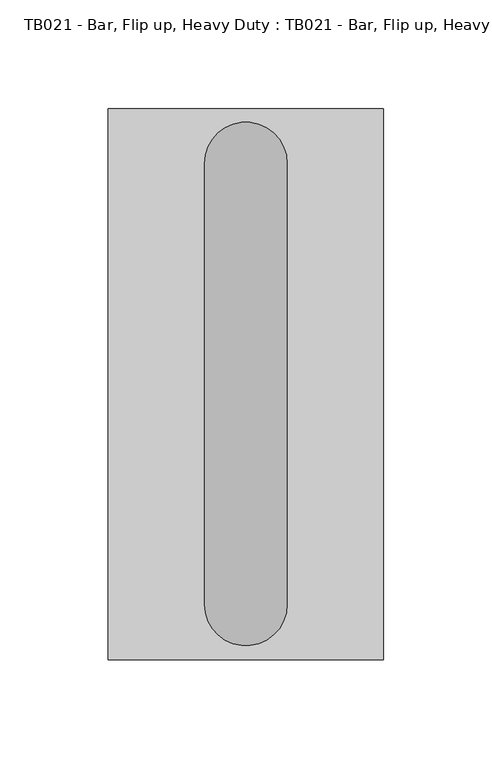
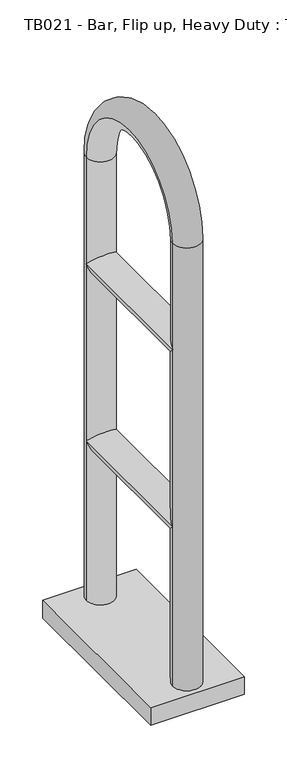
"""IFC4 building model written with IfcOpenShell, lengths in millimetres: proxy geometry, TB021 - Bar, Flip up, Heavy Duty : TB021 - Bar, Flip up, Heavy Duty."""

from ifc_helpers import new_model, si_unit, point, frame, origin, origin_with_axes, place, context, project, spatial, polyline, circle_curve, ellipse_curve, trimmed, outline, extrude, source, transform, mapped, element, save
from ifc_brep_helpers import plane_surface, cylinder_surface, revolved_surface, advanced_brep


def tb021_bar_flip_up_heavy_duty_tb021_bar_flip_up_heavy_duty_60cc0946(model_context):
    return source(origin(), model_context, "Body", "SolidModel", [
        advanced_brep(
        [(19.05, -101.6, 508.0), (19.05, 101.6, 508.0), (-19.05, 101.6, 508.0), (-19.05, -101.6, 508.0), (-19.05, 101.6, 25.4), (19.05, 101.6, 25.4), (-19.05, 101.6, 254.0), (-19.05, 101.6, 660.4), (19.05, 101.6, 660.4), (19.05, 101.6, 254.0), (-19.05, -101.6, 660.4), (19.05, -101.6, 660.4), (-19.05, -101.6, 25.4), (19.05, -101.6, 25.4), (-19.05, -101.6, 254.0), (19.05, -101.6, 254.0)],
        [
            (0, 1),
            (1, 2, ellipse_curve(frame((0.0, 101.6, 508.0), z_axis=(0.0, -0.7071067811865432, -0.7071067811865519), x_axis=(0.0, -0.7071067811865518, 0.7071067811865434)), 26.9407684, 19.05)),
            (2, 3),
            (3, 0, ellipse_curve(frame((0.0, -101.6, 508.0), z_axis=(0.0, 0.7071067811865518, -0.7071067811865432), x_axis=(0.0, -0.7071067811865432, -0.7071067811865518)), 26.9407684, 19.05)),
            (0, 3, ellipse_curve(frame((0.0, -101.6, 508.0), z_axis=(0.0, 0.7071067811865432, 0.7071067811865519), x_axis=(0.0, -0.7071067811865518, 0.7071067811865434)), 26.9407684, 19.05)),
            (2, 1, ellipse_curve(frame((0.0, 101.6, 508.0), z_axis=(0.0, -0.7071067811865518, 0.7071067811865432), x_axis=(0.0, -0.7071067811865432, -0.7071067811865518)), 26.9407684, 19.05)),
            (4, 5, circle_curve(frame((0.0, 101.6, 25.4), z_axis=(0.0, 0.0, -1.0), x_axis=(1.0, 0.0, 0.0)), 19.05)),
            (5, 4, circle_curve(frame((0.0, 101.6, 25.4), z_axis=(0.0, 0.0, -1.0), x_axis=(1.0, 0.0, 0.0)), 19.05)),
            (4, 6),
            (6, 2),
            (2, 7),
            (7, 8, circle_curve(frame((0.0, 101.6, 660.4), z_axis=(0.0, 0.0, -1.0), x_axis=(1.0, 0.0, 0.0)), 19.05)),
            (8, 1),
            (1, 9),
            (9, 5),
            (6, 9, ellipse_curve(frame((0.0, 101.6, 254.0), z_axis=(0.0, 0.7071067811865432, 0.7071067811865519), x_axis=(0.0, 0.707106781186552, -0.7071067811865431)), 26.9407684, 19.05)),
            (9, 6, ellipse_curve(frame((0.0, 101.6, 254.0), z_axis=(0.0, 0.7071067811865518, -0.7071067811865432), x_axis=(0.0, -0.7071067811865432, -0.7071067811865518)), 26.9407684, 19.05)),
            (8, 7, circle_curve(frame((0.0, 101.6, 660.4), z_axis=(0.0, 0.0, -1.0), x_axis=(1.0, 0.0, 0.0)), 19.05)),
            (7, 10, circle_curve(frame((-19.05, 0.0, 660.4), z_axis=(1.0, 0.0, 0.0), x_axis=(0.0, 1.0, 0.0)), 101.6)),
            (10, 11, circle_curve(frame((0.0, -101.6, 660.4), z_axis=(0.0, 0.0, 1.0), x_axis=(1.0, 0.0, 0.0)), 19.05)),
            (11, 8, circle_curve(frame((19.05, 0.0, 660.4), z_axis=(-1.0, 0.0, 0.0), x_axis=(0.0, 1.0, 0.0)), 101.6)),
            (11, 10, circle_curve(frame((0.0, -101.6, 660.4), z_axis=(0.0, 0.0, 1.0), x_axis=(1.0, 0.0, 0.0)), 19.05)),
            (12, 13, circle_curve(frame((0.0, -101.6, 25.4), z_axis=(0.0, 0.0, -1.0), x_axis=(1.0, 0.0, 0.0)), 19.05)),
            (13, 12, circle_curve(frame((0.0, -101.6, 25.4), z_axis=(0.0, 0.0, -1.0), x_axis=(1.0, 0.0, 0.0)), 19.05)),
            (10, 3),
            (3, 14),
            (14, 12),
            (13, 15),
            (15, 0),
            (0, 11),
            (15, 14, ellipse_curve(frame((0.0, -101.6, 254.0), z_axis=(0.0, -0.7071067811865518, 0.7071067811865432), x_axis=(0.0, 0.7071067811865432, 0.7071067811865518)), 26.9407684, 19.05)),
            (14, 15, ellipse_curve(frame((0.0, -101.6, 254.0), z_axis=(0.0, -0.7071067811865432, -0.7071067811865519), x_axis=(0.0, -0.707106781186552, 0.7071067811865431)), 26.9407684, 19.05)),
            (15, 9),
            (6, 14),
        ],
        [
            cylinder_surface(frame((0.0, 101.6, 508.0), z_axis=(0.0, -1.0, 0.0), x_axis=(-1.0, 0.0, 0.0)), 19.05),
            plane_surface(frame((0.0, 101.6, 25.4), z_axis=(0.0, 0.0, -1.0), x_axis=(1.0, 0.0, 0.0))),
            cylinder_surface(frame((0.0, 101.6, 25.4), z_axis=(0.0, 0.0, -1.0), x_axis=(1.0, 0.0, 0.0)), 19.05),
            revolved_surface(trimmed(ellipse_curve(frame((0.0, 101.6, 660.4), z_axis=(0.0, 0.0, -1.0), x_axis=(1.0, 0.0, 0.0)), 19.05, 19.05), [point((-19.05, 101.6, 660.4))], [point((19.05, 101.6, 660.4))], True, "CARTESIAN"), (0.0, 0.0, 660.4), (1.0, 0.0, 0.0)),
            revolved_surface(trimmed(ellipse_curve(frame((0.0, 101.6, 660.4), z_axis=(0.0, 0.0, -1.0), x_axis=(1.0, 0.0, 0.0)), 19.05, 19.05), [point((19.05, 101.6, 660.4))], [point((-19.05, 101.6, 660.4))], True, "CARTESIAN"), (0.0, 0.0, 660.4), (1.0, 0.0, 0.0)),
            plane_surface(frame((0.0, -101.6, 25.4), z_axis=(0.0, 0.0, -1.0), x_axis=(1.0, 0.0, 0.0))),
            cylinder_surface(frame((0.0, -101.6, 660.4), z_axis=(0.0, 0.0, 1.0), x_axis=(1.0, 0.0, 0.0)), 19.05),
            cylinder_surface(frame((0.0, 101.6, 254.0), z_axis=(0.0, -1.0, 0.0), x_axis=(-1.0, 0.0, 0.0)), 19.05),
        ],
        [
            (0, [[1, 2, 3, 4]]),
            (0, [[-1, 5, -3, 6]]),
            (1, [[7, 8]]),
            (2, [[-7, 9, 10, 11, 12, 13, 14, 15]]),
            (2, [[-6, -10, 16, -14]]),
            (2, [[-8, -15, 17, -9]]),
            (2, [[18, -11, -2, -13]]),
            (3, [[-12, 19, 20, 21]]),
            (4, [[-18, -21, 22, -19]]),
            (5, [[23, 24]]),
            (6, [[-20, 25, 26, 27, -24, 28, 29, 30]]),
            (6, [[-5, -29, 31, -26]]),
            (6, [[-22, -30, -4, -25]]),
            (6, [[-23, -27, 32, -28]]),
            (7, [[33, -16, 34, -31]]),
            (7, [[-33, -32, -34, -17]]),
        ],
    ),
        extrude(outline(polyline([(63.5, 127.0), (63.5, -127.0), (-63.5, -127.0), (-63.5, 127.0), (63.5, 127.0)])), origin_with_axes(), (0.0, 0.0, 1.0), 25.4),
    ])


if __name__ == "__main__":
    model = new_model("IFC4")
    model_context = context("Model", 3, world=origin())
    ifc_project = project(units=[si_unit("LENGTHUNIT", "METRE", prefix="MILLI")], contexts=[model_context])
    site = spatial("IfcSite", under=ifc_project)
    building = spatial("IfcBuilding", under=site)
    placement = place(None, origin())
    tb021_bar_flip_up_heavy_duty_tb021_bar_flip_up_heavy_duty_shape = tb021_bar_flip_up_heavy_duty_tb021_bar_flip_up_heavy_duty_60cc0946(model_context)
    element("IfcBuildingElementProxy", 1, Name="TB021 - Bar, Flip up, Heavy Duty : TB021 - Bar, Flip up, Heavy Duty", ObjectType="TB021 - Bar, Flip up, Heavy Duty : TB021 - Bar, Flip up, Heavy Duty", at=placement, inside=building, context=model_context, shape_type="MappedRepresentation", body=[
        mapped(tb021_bar_flip_up_heavy_duty_tb021_bar_flip_up_heavy_duty_shape, transform((0.0, 0.0, 0.0), x_axis=(1.0, 0.0, 0.0), y_axis=(0.0, 1.0, 0.0), z_axis=(0.0, 0.0, 1.0))),
    ])
    save(model, "model.ifc")
